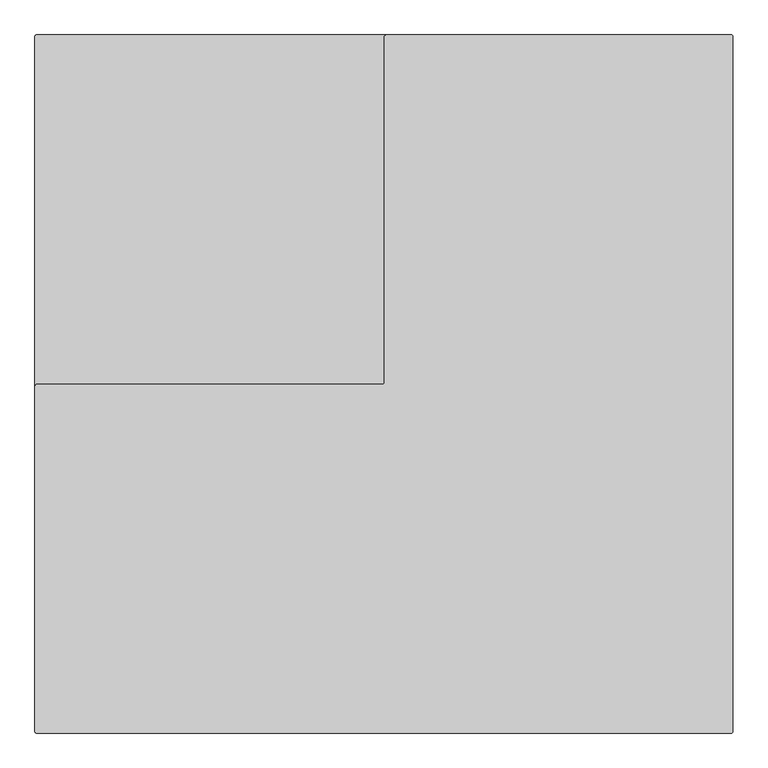
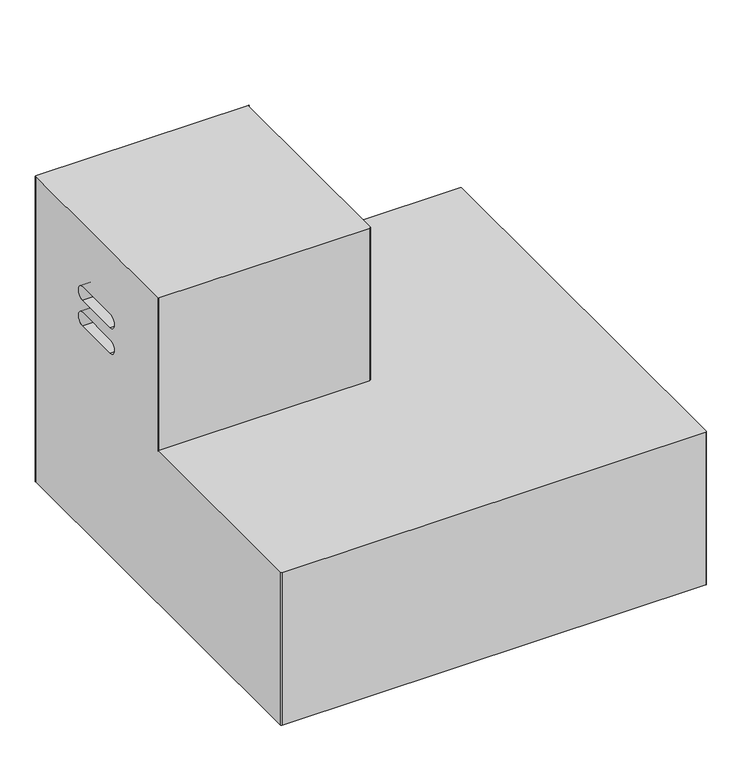
"""IFC4 building model written with IfcOpenShell, lengths in millimetres: furniture geometry."""

from ifc_helpers import new_model, si_unit, point, frame, frame_2d, origin, origin_with_axes, place, context, project, spatial, polyline, circle_curve, trimmed, segment, composite_curve, outline, extrude, source, transform, mapped, element, save
from ifc_brep_helpers import plane_surface, cylinder_surface, revolved_surface, advanced_brep


def furniture_ce497e69(model_context):
    return source(origin(), model_context, "Body", "SolidModel", [
        advanced_brep(
        [(2.54, 0.0, 787.4), (0.0, -2.54, 787.4), (0.0, -510.54, 787.4), (2.54, -508.0, 787.4), (505.46, -508.0, 787.4), (508.0, -505.46, 787.4), (508.0, -2.54, 787.4), (510.54, 0.0, 787.4), (1013.46, 0.0, 19.05), (1016.0, -2.54, 19.05), (1016.0, -1013.46, 19.05), (1013.46, -1016.0, 19.05), (2.54, -1016.0, 19.05), (0.0, -1013.46, 19.05), (0.0, -2.54, 19.05), (2.54, 0.0, 19.05), (510.54, 0.0, 403.225), (1013.46, 0.0, 403.225), (311.1926468, 0.0, 594.3318992), (311.1926468, 0.0, 627.6197898), (196.8073532, 0.0, 627.6197898), (196.8073532, 0.0, 594.3318992), (311.1926468, 0.0, 529.7173196), (311.1926468, 0.0, 563.0052102), (196.8073532, 0.0, 563.0052102), (196.8073532, 0.0, 529.7173196), (0.0, -1013.46, 403.225), (0.0, -510.54, 403.225), (0.0, -311.1926468, 627.6197898), (0.0, -311.1926468, 594.3318992), (0.0, -196.8073532, 594.3318992), (0.0, -196.8073532, 627.6197898), (0.0, -311.1926468, 563.0052102), (0.0, -311.1926468, 529.7173196), (0.0, -196.8073532, 529.7173196), (0.0, -196.8073532, 563.0052102), (2.54, -1016.0, 403.225), (1013.46, -1016.0, 403.225), (1016.0, -1013.46, 403.225), (1016.0, -2.54, 403.225), (508.0, -2.54, 403.225), (508.0, -505.46, 403.225), (505.46, -508.0, 403.225), (2.54, -508.0, 403.225), (163.6778314, -311.1926468, 627.6197898), (163.6778314, -196.8073532, 627.6197898), (163.6778314, -196.8073532, 594.3318992), (163.6778314, -311.1926468, 594.3318992), (163.6778314, -311.1926468, 529.7173196), (163.6778314, -311.1926468, 563.0052102), (163.6778314, -196.8073532, 563.0052102), (163.6778314, -196.8073532, 529.7173196), (311.1926468, -164.5612157, 627.6197898), (311.1926468, -164.5612157, 594.3318992), (196.8073532, -164.5612157, 594.3318992), (196.8073532, -164.5612157, 627.6197898), (311.1926468, -164.5612157, 529.7173196), (196.8073532, -164.5612157, 529.7173196), (196.8073532, -164.5612157, 563.0052102), (311.1926468, -164.5612157, 563.0052102)],
        [
            (0, 1, circle_curve(frame((2.54, -2.54, 787.4), z_axis=(0.0, 0.0, 1.0), x_axis=(-1.0, 0.0, 0.0)), 2.54)),
            (1, 2),
            (2, 3, circle_curve(frame((2.54, -510.54, 787.4), z_axis=(0.0, 0.0, -1.0), x_axis=(-1.0, 0.0, 0.0)), 2.54)),
            (3, 4),
            (4, 5, circle_curve(frame((505.46, -505.46, 787.4), z_axis=(0.0, 0.0, 1.0), x_axis=(-1.0, 0.0, 0.0)), 2.54)),
            (5, 6),
            (6, 7, circle_curve(frame((510.54, -2.54, 787.4), z_axis=(0.0, 0.0, -1.0), x_axis=(-1.0, 0.0, 0.0)), 2.54)),
            (7, 0),
            (8, 9, circle_curve(frame((1013.46, -2.54, 19.05), z_axis=(0.0, 0.0, -1.0), x_axis=(-1.0, 0.0, 0.0)), 2.54)),
            (9, 10),
            (10, 11, circle_curve(frame((1013.46, -1013.46, 19.05), z_axis=(0.0, 0.0, -1.0), x_axis=(-1.0, 0.0, 0.0)), 2.54)),
            (11, 12),
            (12, 13, circle_curve(frame((2.54, -1013.46, 19.05), z_axis=(0.0, 0.0, -1.0), x_axis=(-1.0, 0.0, 0.0)), 2.54)),
            (13, 14),
            (14, 15, circle_curve(frame((2.54, -2.54, 19.05), z_axis=(0.0, 0.0, -1.0), x_axis=(-1.0, 0.0, 0.0)), 2.54)),
            (15, 8),
            (15, 0),
            (7, 16),
            (16, 17),
            (17, 8),
            (18, 19, circle_curve(frame((311.1926468, 0.0, 610.9758445), z_axis=(0.0, -1.0, 0.0), x_axis=(-1.0, 0.0, 0.0)), 16.6439453)),
            (19, 20),
            (20, 21, circle_curve(frame((196.8073532, 0.0, 610.9758445), z_axis=(0.0, -1.0, 0.0), x_axis=(-1.0, 0.0, 0.0)), 16.6439453)),
            (21, 18),
            (22, 23, circle_curve(frame((311.1926468, 0.0, 546.3612649), z_axis=(0.0, -1.0, 0.0), x_axis=(-1.0, 0.0, 0.0)), 16.6439453)),
            (23, 24),
            (24, 25, circle_curve(frame((196.8073532, 0.0, 546.3612649), z_axis=(0.0, -1.0, 0.0), x_axis=(-1.0, 0.0, 0.0)), 16.6439453)),
            (25, 22),
            (14, 1),
            (13, 26),
            (26, 27),
            (27, 2),
            (28, 29, circle_curve(frame((0.0, -311.1926468, 610.9758445), z_axis=(1.0, 0.0, 0.0), x_axis=(0.0, 1.0, 0.0)), 16.6439453)),
            (29, 30),
            (30, 31, circle_curve(frame((0.0, -196.8073532, 610.9758445), z_axis=(1.0, 0.0, 0.0), x_axis=(0.0, 1.0, 0.0)), 16.6439453)),
            (31, 28),
            (32, 33, circle_curve(frame((0.0, -311.1926468, 546.3612649), z_axis=(1.0, 0.0, 0.0), x_axis=(0.0, 1.0, 0.0)), 16.6439453)),
            (33, 34),
            (34, 35, circle_curve(frame((0.0, -196.8073532, 546.3612649), z_axis=(1.0, 0.0, 0.0), x_axis=(0.0, 1.0, 0.0)), 16.6439453)),
            (35, 32),
            (12, 36),
            (36, 26, circle_curve(frame((2.54, -1013.46, 403.225), z_axis=(0.0, 0.0, -1.0), x_axis=(-1.0, 0.0, 0.0)), 2.54)),
            (11, 37),
            (37, 36),
            (10, 38),
            (38, 37, circle_curve(frame((1013.46, -1013.46, 403.225), z_axis=(0.0, 0.0, -1.0), x_axis=(-1.0, 0.0, 0.0)), 2.54)),
            (9, 39),
            (39, 38),
            (17, 39, circle_curve(frame((1013.46, -2.54, 403.225), z_axis=(0.0, 0.0, -1.0), x_axis=(-1.0, 0.0, 0.0)), 2.54)),
            (16, 40, circle_curve(frame((510.54, -2.54, 403.225), z_axis=(0.0, 0.0, 1.0), x_axis=(-1.0, 0.0, 0.0)), 2.54)),
            (40, 41),
            (41, 42, circle_curve(frame((505.46, -505.46, 403.225), z_axis=(0.0, 0.0, -1.0), x_axis=(-1.0, 0.0, 0.0)), 2.54)),
            (42, 43),
            (43, 27, circle_curve(frame((2.54, -510.54, 403.225), z_axis=(0.0, 0.0, 1.0), x_axis=(-1.0, 0.0, 0.0)), 2.54)),
            (6, 40),
            (5, 41),
            (4, 42),
            (3, 43),
            (44, 45),
            (45, 46, circle_curve(frame((163.6778314, -196.8073532, 610.9758445), z_axis=(-1.0, 0.0, 0.0), x_axis=(0.0, 1.0, 0.0)), 16.6439453)),
            (46, 47),
            (47, 44, circle_curve(frame((163.6778314, -311.1926468, 610.9758445), z_axis=(-1.0, 0.0, 0.0), x_axis=(0.0, 1.0, 0.0)), 16.6439453)),
            (48, 49, circle_curve(frame((163.6778314, -311.1926468, 546.3612649), z_axis=(-1.0, 0.0, 0.0), x_axis=(0.0, 1.0, 0.0)), 16.6439453)),
            (49, 50),
            (50, 51, circle_curve(frame((163.6778314, -196.8073532, 546.3612649), z_axis=(-1.0, 0.0, 0.0), x_axis=(0.0, 1.0, 0.0)), 16.6439453)),
            (51, 48),
            (47, 29),
            (28, 44),
            (46, 30),
            (45, 31),
            (48, 33),
            (32, 49),
            (35, 50),
            (34, 51),
            (52, 53, circle_curve(frame((311.1926468, -164.5612157, 610.9758445), z_axis=(0.0, 1.0, 0.0), x_axis=(-1.0, 0.0, 0.0)), 16.6439453)),
            (53, 54),
            (54, 55, circle_curve(frame((196.8073532, -164.5612157, 610.9758445), z_axis=(0.0, 1.0, 0.0), x_axis=(-1.0, 0.0, 0.0)), 16.6439453)),
            (55, 52),
            (56, 57),
            (57, 58, circle_curve(frame((196.8073532, -164.5612157, 546.3612649), z_axis=(0.0, 1.0, 0.0), x_axis=(-1.0, 0.0, 0.0)), 16.6439453)),
            (58, 59),
            (59, 56, circle_curve(frame((311.1926468, -164.5612157, 546.3612649), z_axis=(0.0, 1.0, 0.0), x_axis=(-1.0, 0.0, 0.0)), 16.6439453)),
            (52, 19),
            (18, 53),
            (21, 54),
            (20, 55),
            (59, 23),
            (22, 56),
            (58, 24),
            (57, 25),
        ],
        [
            plane_surface(frame((2.54, 0.0, 787.4), z_axis=(0.0, 0.0, 1.0), x_axis=(-1.0, 0.0, 0.0))),
            plane_surface(frame((2.54, 0.0, 19.05), z_axis=(0.0, 0.0, -1.0), x_axis=(1.0, 0.0, 0.0))),
            plane_surface(frame((1013.46, 0.0, 787.4), z_axis=(0.0, 1.0, 0.0), x_axis=(0.0, 0.0, -1.0))),
            cylinder_surface(frame((2.54, -2.54, 19.05), z_axis=(0.0, 0.0, 1.0), x_axis=(-1.0, 0.0, 0.0)), 2.54),
            plane_surface(frame((0.0, -2.54, 787.4), z_axis=(-1.0, 0.0, 0.0), x_axis=(0.0, 0.0, -1.0))),
            cylinder_surface(frame((2.54, -1013.46, 19.05), z_axis=(0.0, 0.0, 1.0), x_axis=(-1.0, 0.0, 0.0)), 2.54),
            plane_surface(frame((2.54, -1016.0, 787.4), z_axis=(0.0, -1.0, 0.0), x_axis=(0.0, 0.0, -1.0))),
            cylinder_surface(frame((1013.46, -1013.46, 19.05), z_axis=(0.0, 0.0, 1.0), x_axis=(-1.0, 0.0, 0.0)), 2.54),
            plane_surface(frame((1016.0, -1013.46, 787.4), z_axis=(1.0, 0.0, 0.0), x_axis=(0.0, 0.0, -1.0))),
            cylinder_surface(frame((1013.46, -2.54, 19.05), z_axis=(0.0, 0.0, 1.0), x_axis=(-1.0, 0.0, 0.0)), 2.54),
            plane_surface(frame((1010.92, -2.54, 403.225), z_axis=(0.0, 0.0, 1.0), x_axis=(0.0, 1.0, 0.0))),
            revolved_surface(polyline([(508.0, -2.54, 787.4), (508.0, -2.54, 403.225)]), (510.54, -2.54, 403.225), (0.0, 0.0, 1.0)),
            plane_surface(frame((508.0, -2.54, 787.4), z_axis=(1.0, 0.0, 0.0), x_axis=(0.0, 0.0, -1.0))),
            cylinder_surface(frame((505.46, -505.46, 403.225), z_axis=(0.0, 0.0, -1.0), x_axis=(-1.0, 0.0, 0.0)), 2.54),
            plane_surface(frame((505.46, -508.0, 787.4), z_axis=(0.0, -1.0, 0.0), x_axis=(0.0, 0.0, -1.0))),
            revolved_surface(polyline([(0.0, -510.54, 787.4), (0.0, -510.54, 403.225)]), (2.54, -510.54, 403.225), (0.0, 0.0, 1.0)),
            plane_surface(frame((163.6778314, -196.8073532, 627.6197898), z_axis=(-1.0, 0.0, 0.0), x_axis=(0.0, -1.0, 0.0))),
            revolved_surface(polyline([(0.0, -294.5487015, 610.9758445), (163.6778314, -294.5487015, 610.9758445)]), (163.6778314, -311.1926468, 610.9758445), (-1.0, 0.0, 0.0)),
            plane_surface(frame((0.0, -196.8073532, 594.3318992), z_axis=(0.0, 0.0, 1.0), x_axis=(1.0, 0.0, 0.0))),
            revolved_surface(polyline([(0.0, -180.16340789999998, 610.9758445), (163.6778314, -180.16340789999998, 610.9758445)]), (163.6778314, -196.8073532, 610.9758445), (-1.0, 0.0, 0.0)),
            plane_surface(frame((0.0, -311.1926468, 627.6197898), z_axis=(0.0, 0.0, -1.0), x_axis=(1.0, 0.0, 0.0))),
            revolved_surface(polyline([(0.0, -294.5487015, 546.3612649), (163.67783140000006, -294.5487015, 546.3612649)]), (1016.0, -311.1926468, 546.3612649), (-1.0, 0.0, 0.0)),
            plane_surface(frame((0.0, -311.1926468, 563.0052102), z_axis=(0.0, 0.0, -1.0), x_axis=(1.0, 0.0, 0.0))),
            revolved_surface(polyline([(0.0, -180.16340789999998, 546.3612649), (163.67783140000006, -180.16340789999998, 546.3612649)]), (1016.0, -196.8073532, 546.3612649), (-1.0, 0.0, 0.0)),
            plane_surface(frame((0.0, -196.8073532, 529.7173196), z_axis=(0.0, 0.0, 1.0), x_axis=(1.0, 0.0, 0.0))),
            plane_surface(frame((294.5487015, -164.5612157, 610.9758445), z_axis=(0.0, 1.0, 0.0), x_axis=(0.0, 0.0, -1.0))),
            revolved_surface(polyline([(294.5487015, 0.0, 610.9758445), (294.5487015, -164.5612157, 610.9758445)]), (311.1926468, -164.5612157, 610.9758445), (0.0, 1.0, 0.0)),
            plane_surface(frame((311.1926468, 0.0, 594.3318992), z_axis=(0.0, 0.0, 1.0), x_axis=(0.0, -1.0, 0.0))),
            revolved_surface(polyline([(180.16340789999998, 0.0, 610.9758445), (180.16340789999998, -164.5612157, 610.9758445)]), (196.8073532, -164.5612157, 610.9758445), (0.0, 1.0, 0.0)),
            plane_surface(frame((196.8073532, 0.0, 627.6197898), z_axis=(0.0, 0.0, -1.0), x_axis=(0.0, -1.0, 0.0))),
            revolved_surface(polyline([(294.5487015, 0.0, 546.3612649), (294.5487015, -164.56121570000005, 546.3612649)]), (311.1926468, -1016.0, 546.3612649), (0.0, 1.0, 0.0)),
            plane_surface(frame((196.8073532, 0.0, 563.0052102), z_axis=(0.0, 0.0, -1.0), x_axis=(0.0, -1.0, 0.0))),
            revolved_surface(polyline([(180.16340789999998, 0.0, 546.3612649), (180.16340789999998, -164.56121570000005, 546.3612649)]), (196.8073532, -1016.0, 546.3612649), (0.0, 1.0, 0.0)),
            plane_surface(frame((311.1926468, 0.0, 529.7173196), z_axis=(0.0, 0.0, 1.0), x_axis=(0.0, -1.0, 0.0))),
        ],
        [
            (0, [[1, 2, 3, 4, 5, 6, 7, 8]]),
            (1, [[9, 10, 11, 12, 13, 14, 15, 16]]),
            (2, [[-16, 17, -8, 18, 19, 20], [21, 22, 23, 24], [25, 26, 27, 28]]),
            (3, [[-1, -17, -15, 29]]),
            (4, [[-14, 30, 31, 32, -2, -29], [33, 34, 35, 36], [37, 38, 39, 40]]),
            (5, [[-13, 41, 42, -30]]),
            (6, [[-12, 43, 44, -41]]),
            (7, [[-11, 45, 46, -43]]),
            (8, [[-10, 47, 48, -45]]),
            (9, [[-9, -20, 49, -47]]),
            (10, [[50, 51, 52, 53, 54, -31, -42, -44, -46, -48, -49, -19]]),
            (11, [[-50, -18, -7, 55]]),
            (12, [[-51, -55, -6, 56]]),
            (13, [[-52, -56, -5, 57]]),
            (14, [[-53, -57, -4, 58]]),
            (15, [[-54, -58, -3, -32]]),
            (16, [[59, 60, 61, 62]]),
            (16, [[63, 64, 65, 66]]),
            (17, [[-62, 67, -33, 68]]),
            (18, [[-61, 69, -34, -67]]),
            (19, [[-60, 70, -35, -69]]),
            (20, [[-59, -68, -36, -70]]),
            (21, [[-63, 71, -37, 72]]),
            (22, [[-64, -72, -40, 73]]),
            (23, [[-65, -73, -39, 74]]),
            (24, [[-66, -74, -38, -71]]),
            (25, [[75, 76, 77, 78]]),
            (25, [[79, 80, 81, 82]]),
            (26, [[-75, 83, -21, 84]]),
            (27, [[-76, -84, -24, 85]]),
            (28, [[-77, -85, -23, 86]]),
            (29, [[-78, -86, -22, -83]]),
            (30, [[-82, 87, -25, 88]]),
            (31, [[-81, 89, -26, -87]]),
            (32, [[-80, 90, -27, -89]]),
            (33, [[-79, -88, -28, -90]]),
        ],
    ),
        extrude(outline(composite_curve([segment(trimmed(circle_curve(frame_2d((38.1, -38.1)), 12.7), [point((25.4, -38.1))], [point((50.8, -38.1))], False, "CARTESIAN"), True, "CONTINUOUS"), segment(trimmed(circle_curve(frame_2d((38.1, -38.1)), 12.7), [point((50.8, -38.1))], [point((25.4, -38.1))], False, "CARTESIAN"), True, "CONTINUOUS")], self_intersect=False)), origin_with_axes(), (0.0, 0.0, 1.0), 19.05),
        extrude(outline(composite_curve([segment(trimmed(circle_curve(frame_2d((38.1, -977.9)), 12.7), [point((25.4, -977.9))], [point((50.8, -977.9))], False, "CARTESIAN"), True, "CONTINUOUS"), segment(trimmed(circle_curve(frame_2d((38.1, -977.9)), 12.7), [point((50.8, -977.9))], [point((25.4, -977.9))], False, "CARTESIAN"), True, "CONTINUOUS")], self_intersect=False)), origin_with_axes(), (0.0, 0.0, 1.0), 19.05),
        extrude(outline(composite_curve([segment(trimmed(circle_curve(frame_2d((977.9, -38.1)), 12.7), [point((965.2, -38.1))], [point((990.6, -38.1))], False, "CARTESIAN"), True, "CONTINUOUS"), segment(trimmed(circle_curve(frame_2d((977.9, -38.1)), 12.7), [point((990.6, -38.1))], [point((965.2, -38.1))], False, "CARTESIAN"), True, "CONTINUOUS")], self_intersect=False)), origin_with_axes(), (0.0, 0.0, 1.0), 19.05),
        extrude(outline(composite_curve([segment(trimmed(circle_curve(frame_2d((977.9, -977.9)), 12.7), [point((965.2, -977.9))], [point((990.6, -977.9))], False, "CARTESIAN"), True, "CONTINUOUS"), segment(trimmed(circle_curve(frame_2d((977.9, -977.9)), 12.7), [point((990.6, -977.9))], [point((965.2, -977.9))], False, "CARTESIAN"), True, "CONTINUOUS")], self_intersect=False)), origin_with_axes(), (0.0, 0.0, 1.0), 19.05),
    ])


if __name__ == "__main__":
    model = new_model("IFC4")
    model_context = context("Model", 3, world=origin())
    ifc_project = project(units=[si_unit("LENGTHUNIT", "METRE", prefix="MILLI")], contexts=[model_context])
    site = spatial("IfcSite", under=ifc_project)
    building = spatial("IfcBuilding", under=site)
    placement = place(None, origin())
    furniture_shape = furniture_ce497e69(model_context)
    element("IfcFurniture", 1, at=placement, inside=building, context=model_context, shape_type="MappedRepresentation", body=[
        mapped(furniture_shape, transform((0.0, 0.0, 0.0), x_axis=(1.0, 0.0, 0.0), y_axis=(0.0, 1.0, 0.0), z_axis=(0.0, 0.0, 1.0))),
    ])
    save(model, "model.ifc")
